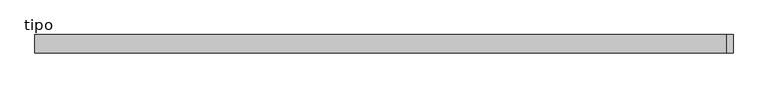
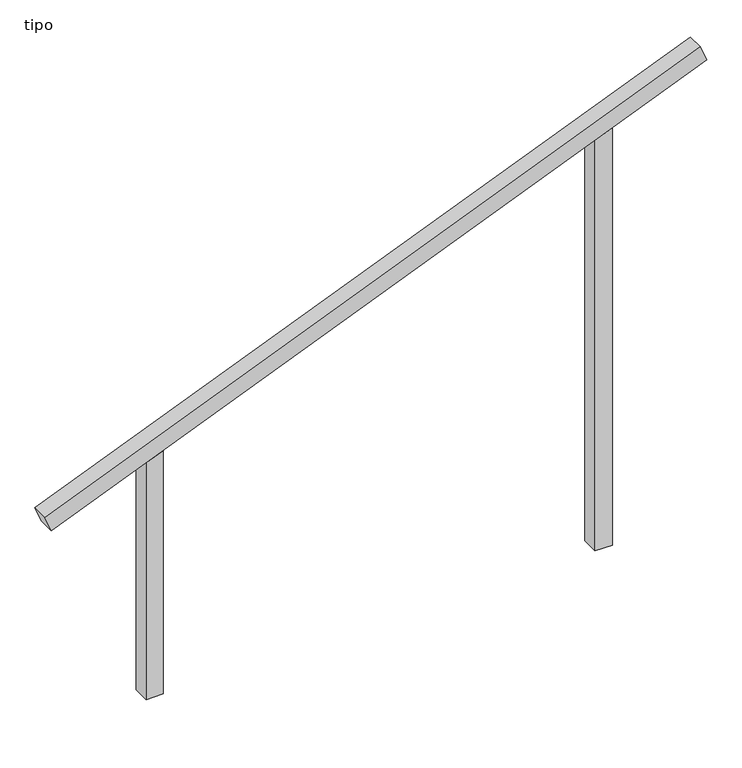
"""IFC4 building model written with IfcOpenShell, lengths in millimetres: proxy geometry, tipo."""

from ifc_helpers import new_model, si_unit, frame, origin, place, context, project, spatial, polyline, outline, extrude, source, transform, mapped, element, save


def tipo_6302c34c(model_context):
    return source(origin(), model_context, "Body", "SweptSolid", [
        extrude(outline(polyline([(0.0, -4099.9999999), (0.0, 0.0), (100.0, 0.0), (100.0, -4099.9999999), (0.0, -4099.9999999)])), frame((-1897.4069297, -100.0, 1223.8898642), z_axis=(-0.37859031016350086, 0.0, 0.9255643559743991), x_axis=(0.0, 1.0, 0.0)), (0.0, 0.0, 1.0), 100.0),
        extrude(outline(polyline([(2552.200304, 1350.0), (2511.2965778, 1250.0), (0.0, 1250.0), (0.0, 1350.0), (2552.200304, 1350.0)])), frame((0.0, -100.0, 0.0), z_axis=(0.0, 1.0, 0.0), x_axis=(0.0, 0.0, 1.0)), (0.0, 0.0, 1.0), 100.0),
        extrude(outline(polyline([(1447.799696, -1350.0), (0.0, -1350.0), (0.0, -1250.0), (1488.7034222, -1250.0), (1447.799696, -1350.0)])), frame((0.0, -100.0, 0.0), z_axis=(0.0, 1.0, 0.0), x_axis=(0.0, 0.0, 1.0)), (0.0, 0.0, 1.0), 100.0),
    ])


if __name__ == "__main__":
    model = new_model("IFC4")
    model_context = context("Model", 3, world=origin())
    ifc_project = project(units=[si_unit("LENGTHUNIT", "METRE", prefix="MILLI")], contexts=[model_context])
    site = spatial("IfcSite", under=ifc_project)
    building = spatial("IfcBuilding", under=site)
    placement = place(None, origin())
    tipo_shape = tipo_6302c34c(model_context)
    element("IfcBuildingElementProxy", 1, Name="tipo", ObjectType="tipo", at=placement, inside=building, context=model_context, shape_type="MappedRepresentation", body=[
        mapped(tipo_shape, transform((0.0, 0.0, 0.0), x_axis=(1.0, 0.0, 0.0), y_axis=(0.0, 1.0, 0.0), z_axis=(0.0, 0.0, 1.0))),
    ])
    save(model, "model.ifc")
